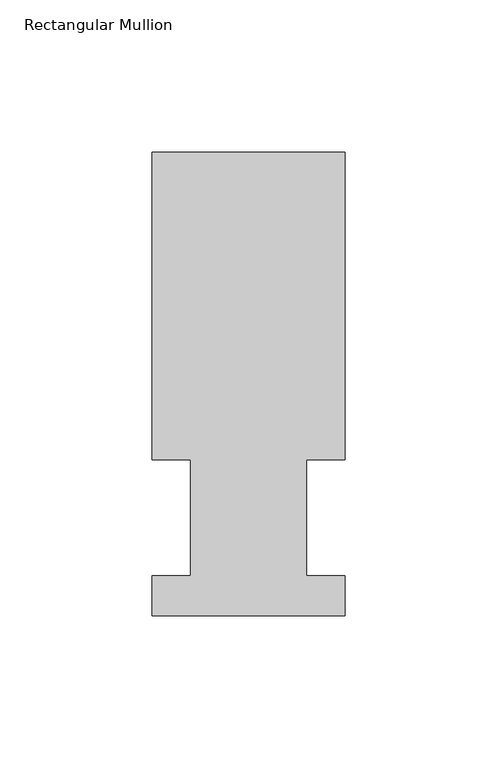
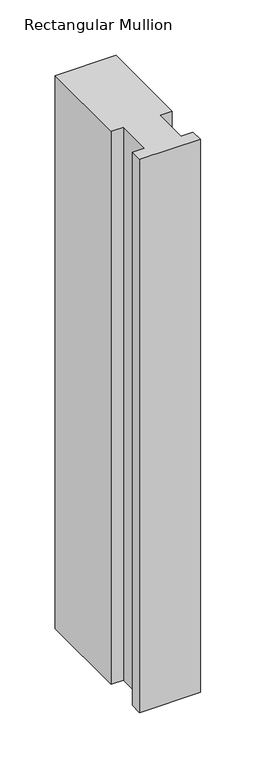
"""IFC4 building model written with IfcOpenShell, lengths in millimetres: member geometry, Rectangular Mullion."""

from ifc_helpers import new_model, si_unit, frame, origin, place, context, project, spatial, polyline, outline, extrude, source, transform, mapped, element, save


def rectangular_mullion_38b8f319(model_context):
    return source(origin(), model_context, "Body", "SweptSolid", [
        extrude(outline(polyline([(-63.5, 152.4896937), (0.0, 152.4896937), (0.0, 51.2960938), (-12.6873, 51.2960938), (-12.6873, 13.1960938), (0.0, 13.1960938), (0.0, 0.0134938), (-63.5, 0.0134938), (-63.5, 13.1960938), (-50.8, 13.1960938), (-50.8, 51.2960937), (-63.5, 51.2960937), (-63.5, 152.4896937)])), frame((0.0, 0.0, -609.6), z_axis=(0.0, 0.0, 1.0), x_axis=(1.0, 0.0, 0.0)), (0.0, 0.0, 1.0), 609.6),
    ])


if __name__ == "__main__":
    model = new_model("IFC4")
    model_context = context("Model", 3, world=origin())
    ifc_project = project(units=[si_unit("LENGTHUNIT", "METRE", prefix="MILLI")], contexts=[model_context])
    site = spatial("IfcSite", under=ifc_project)
    building = spatial("IfcBuilding", under=site)
    placement = place(None, origin())
    rectangular_mullion_shape = rectangular_mullion_38b8f319(model_context)
    element("IfcMember", 1, ObjectType="Rectangular Mullion", at=placement, inside=building, context=model_context, shape_type="MappedRepresentation", body=[
        mapped(rectangular_mullion_shape, transform((0.0, 0.0, 0.0), x_axis=(1.0, 0.0, 0.0), y_axis=(0.0, 1.0, 0.0), z_axis=(0.0, 0.0, 1.0))),
    ])
    save(model, "model.ifc")
